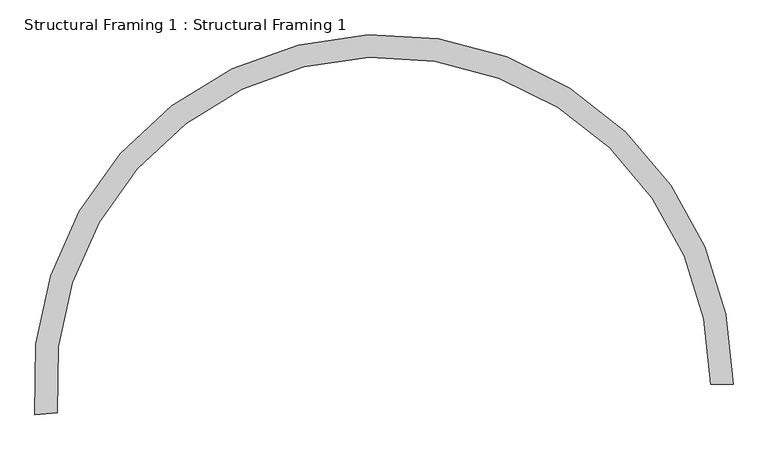
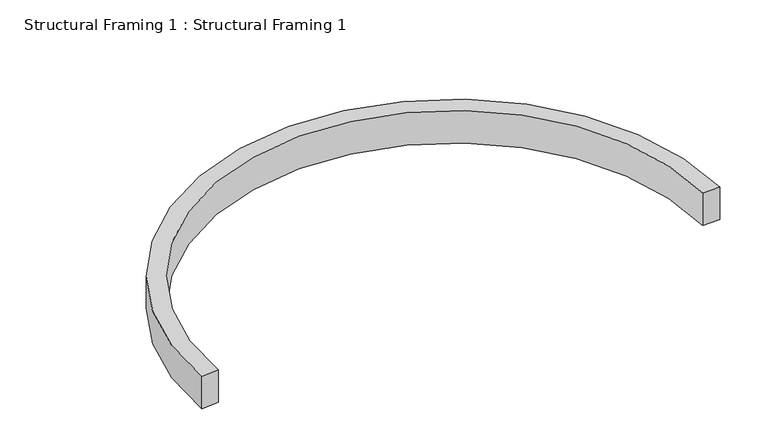
"""IFC4 building model written with IfcOpenShell, lengths in millimetres: beam geometry, Structural Framing 1 : Structural Framing 1."""

from ifc_helpers import new_model, si_unit, point, frame, frame_2d, origin, place, context, project, spatial, polyline, circle_curve, trimmed, segment, composite_curve, outline, extrude, source, transform, mapped, element, save


def structural_framing_1_structural_framing_1_994ed3dc(model_context):
    return source(origin(), model_context, "Body", "SweptSolid", [
        extrude(outline(composite_curve([segment(trimmed(circle_curve(frame_2d((-11132.3099318, -7589.5254947)), 5892.8), [point((-5239.5099318, -7589.5254947))], [point((-17002.6860487, -8103.1168555))], True, "CARTESIAN"), True, "CONTINUOUS"), segment(polyline([(-17002.6860487, -8103.1168555), (-17407.539574, -8138.5369494)]), True, "CONTINUOUS"), segment(trimmed(circle_curve(frame_2d((-11132.3099318, -7589.5254947)), 6299.2), [point((-17407.539574, -8138.5369494))], [point((-4833.1099318, -7589.5254947))], False, "CARTESIAN"), True, "CONTINUOUS"), segment(polyline([(-4833.1099318, -7589.5254947), (-5239.5099318, -7589.5254947)]), True, "CONTINUOUS")], self_intersect=False)), frame((0.0, 0.0, -812.8), z_axis=(0.0, 0.0, 1.0), x_axis=(1.0, 0.0, 0.0)), (0.0, 0.0, 1.0), 812.8),
    ])


if __name__ == "__main__":
    model = new_model("IFC4")
    model_context = context("Model", 3, world=origin())
    ifc_project = project(units=[si_unit("LENGTHUNIT", "METRE", prefix="MILLI")], contexts=[model_context])
    site = spatial("IfcSite", under=ifc_project)
    building = spatial("IfcBuilding", under=site)
    placement = place(None, origin())
    structural_framing_1_structural_framing_1_shape = structural_framing_1_structural_framing_1_994ed3dc(model_context)
    element("IfcBeam", 1, ObjectType="Structural Framing 1 : Structural Framing 1", at=placement, inside=building, context=model_context, shape_type="MappedRepresentation", body=[
        mapped(structural_framing_1_structural_framing_1_shape, transform((0.0, 0.0, 0.0), x_axis=(1.0, 0.0, 0.0), y_axis=(0.0, 1.0, 0.0), z_axis=(0.0, 0.0, 1.0))),
    ])
    save(model, "model.ifc")
